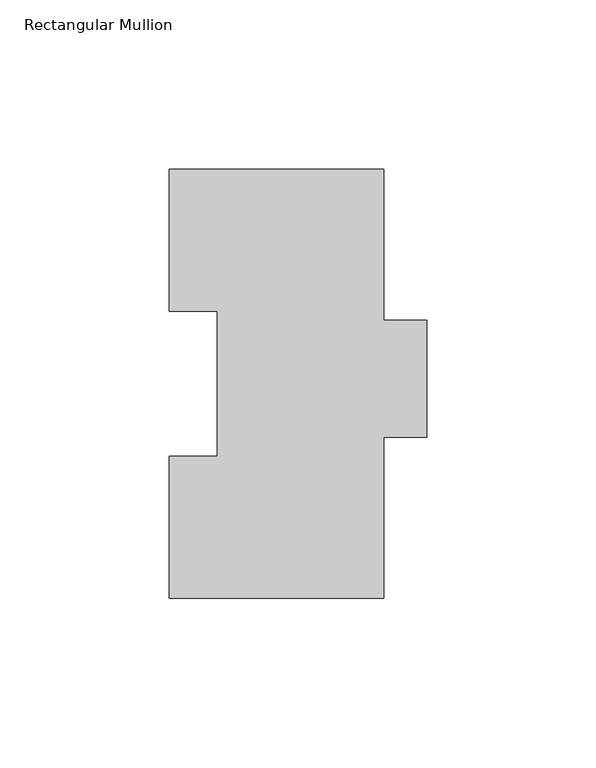
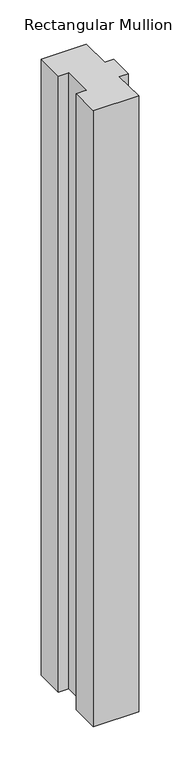
"""IFC4 building model written with IfcOpenShell, lengths in millimetres: member geometry, Rectangular Mullion."""

from ifc_helpers import new_model, si_unit, frame, origin, place, context, project, spatial, polyline, outline, extrude, source, transform, mapped, element, save


def rectangular_mullion_ec6114b6(model_context):
    return source(origin(), model_context, "Body", "SweptSolid", [
        extrude(outline(polyline([(31.75, 127.00635), (31.75, 82.30235), (44.45, 82.30235), (44.45, 47.63135), (31.75, 47.63135), (31.75, 0.00635), (-31.7497287, 0.00635), (-31.7497287, 42.08145), (-17.4622287, 42.08145), (-17.4622287, 84.93125), (-31.7502713, 84.93125), (-31.7502713, 127.00635), (31.75, 127.00635)])), frame((0.0, 0.0, -914.4), z_axis=(0.0, 0.0, 1.0), x_axis=(1.0, 0.0, 0.0)), (0.0, 0.0, 1.0), 914.4),
    ])


if __name__ == "__main__":
    model = new_model("IFC4")
    model_context = context("Model", 3, world=origin())
    ifc_project = project(units=[si_unit("LENGTHUNIT", "METRE", prefix="MILLI")], contexts=[model_context])
    site = spatial("IfcSite", under=ifc_project)
    building = spatial("IfcBuilding", under=site)
    placement = place(None, origin())
    rectangular_mullion_shape = rectangular_mullion_ec6114b6(model_context)
    element("IfcMember", 1, ObjectType="Rectangular Mullion", at=placement, inside=building, context=model_context, shape_type="MappedRepresentation", body=[
        mapped(rectangular_mullion_shape, transform((0.0, 0.0, 0.0), x_axis=(1.0, 0.0, 0.0), y_axis=(0.0, 1.0, 0.0), z_axis=(0.0, 0.0, 1.0))),
    ])
    save(model, "model.ifc")
